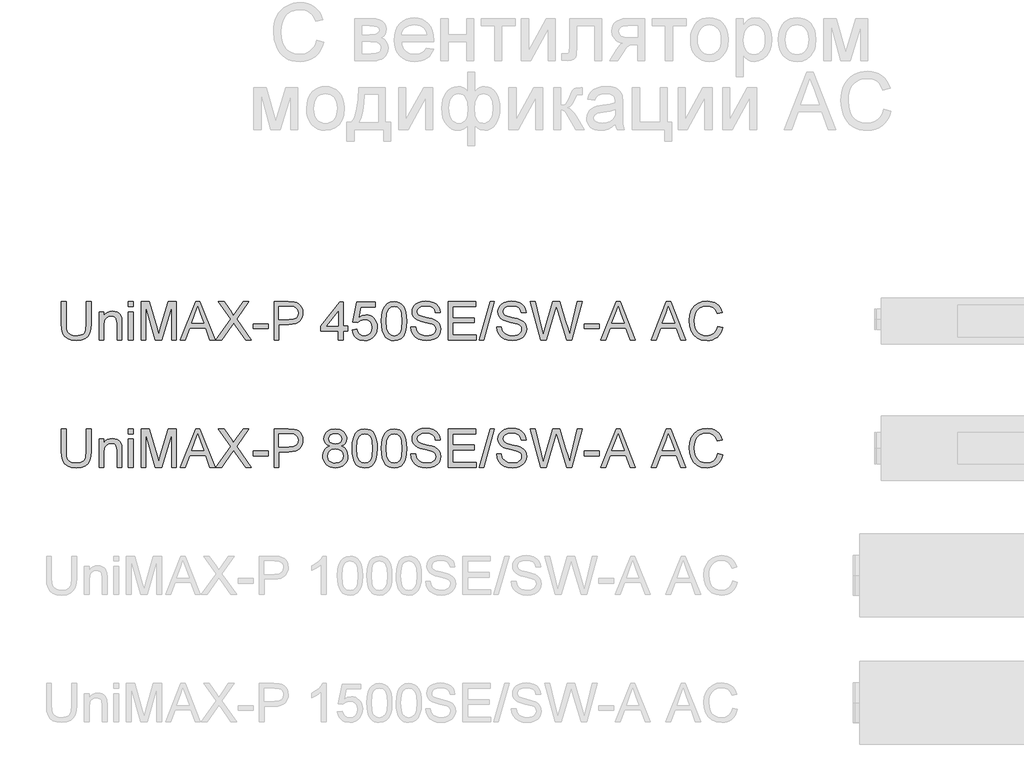
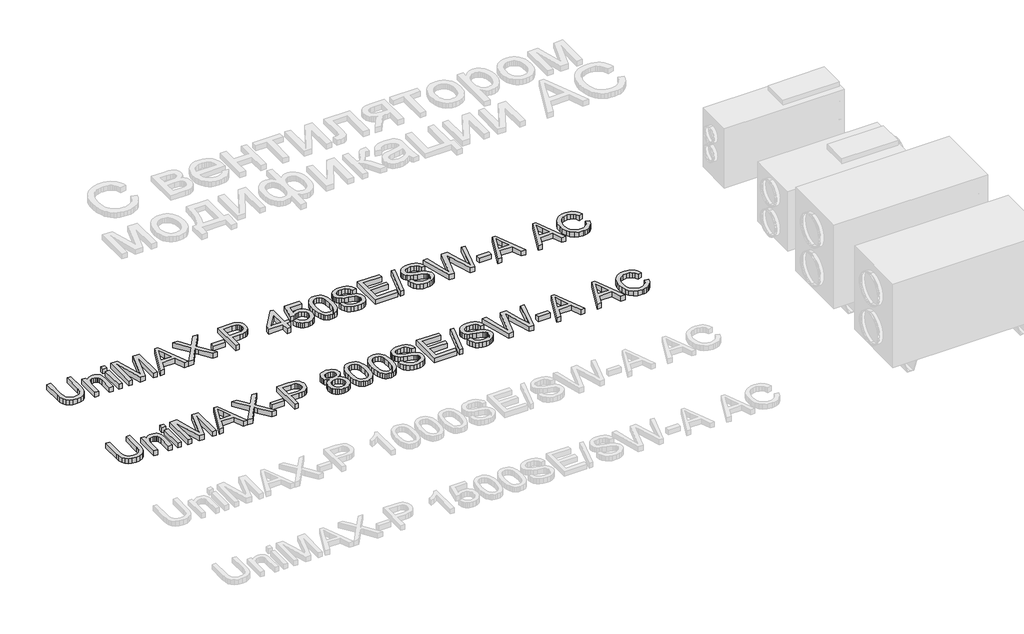
# One storey, part 24 of 74: 2 proxies.
"""IFC4 building model written with IfcOpenShell, lengths in millimetres."""

from ifc_helpers import new_model, si_unit, origin, origin_with_axes, place, context, project, spatial, polyline, outline, extrude, element, save

model = new_model("IFC4")

# Units and contexts
model_context = context("Model", 3, world=origin())
ifc_project = project(units=[si_unit("LENGTHUNIT", "METRE", prefix="MILLI")], contexts=[model_context])

# Site, building, storey
site = spatial("IfcSite", under=ifc_project)
building = spatial("IfcBuilding", under=site)
storey = spatial("IfcBuildingStorey", under=building, Elevation=0.0)

# Proxies
placement = place(None, origin())
element("IfcBuildingElementProxy", 1, Name="Generic Models", at=placement, inside=storey, context=model_context, shape_type="SweptSolid", body=[
    extrude(outline(polyline([(23136.3424808, -27731.9528304), (23174.0135971, -27731.9528304), (23174.0135971, -27905.8138613), (23171.4568172, -27946.5292011), (23163.7864776, -27977.8819441), (23149.4574739, -28002.0701853), (23126.9247017, -28021.2920196), (23096.1329787, -28033.8459926), (23057.0271226, -28038.0306503), (23018.7765922, -28034.3886186), (22988.1964013, -28023.4625233), (22965.277353, -28005.6294436), (22950.0102502, -27981.2664585), (22941.4294027, -27948.5893403), (22938.5691202, -27905.8138613), (22938.5691202, -27731.9528304), (22976.2402365, -27731.9528304), (22976.2402365, -27904.4894861), (22978.0980406, -27938.3438267), (22983.6714528, -27961.9158655), (22993.7698136, -27978.2406291), (23009.2024633, -27990.3531438), (23029.3256084, -27997.8579365), (23053.4954555, -28000.359534), (23091.8103653, -27995.4115212), (23106.1531646, -27989.2265052), (23117.2861934, -27980.5674827), (23125.6233192, -27968.3905887), (23131.578409, -27951.6519579), (23136.3424808, -27904.4894861), (23136.3424808, -27731.9528304)])), origin_with_axes(), (0.0, 0.0, 1.0), 50.0),
    extrude(outline(polyline([(23235.2291611, -28033.3217608), (23235.2291611, -27812.0039525), (23272.9002774, -27812.0039525), (23272.9002774, -27842.9060401), (23285.9876794, -27827.3262376), (23301.7054376, -27816.1978072), (23320.0535521, -27809.520749), (23341.0320229, -27807.295063), (23359.6008666, -27809.0884877), (23376.6062118, -27814.4687619), (23390.7880628, -27822.7645009), (23400.8864235, -27833.30432), (23412.1804008, -27861.0058343), (23414.1669636, -27897.4261518), (23414.1669636, -28033.3217608), (23376.4958472, -28033.3217608), (23376.4958472, -27902.5029233), (23372.1548397, -27869.1728146), (23366.1491661, -27859.2491977), (23356.8141605, -27851.551267), (23344.8487986, -27846.6124512), (23330.9520562, -27844.9661793), (23308.8883336, -27848.6633933), (23290.0803666, -27859.7550355), (23282.5640776, -27868.8095311), (23277.1952997, -27881.1841617), (23272.9002774, -27915.8938279), (23272.9002774, -28033.3217608), (23235.2291611, -28033.3217608)])), origin_with_axes(), (0.0, 0.0, 1.0), 50.0),
    extrude(outline(polyline([(23465.9647485, -28033.3217608), (23465.9647485, -27812.0039525), (23503.6358648, -27812.0039525), (23503.6358648, -28033.3217608), (23465.9647485, -28033.3217608)])), origin_with_axes(), (0.0, 0.0, 1.0), 50.0),
    extrude(outline(polyline([(23465.9647485, -27769.6239467), (23465.9647485, -27731.9528304), (23503.6358648, -27731.9528304), (23503.6358648, -27769.6239467), (23465.9647485, -27769.6239467)])), origin_with_axes(), (0.0, 0.0, 1.0), 50.0),
    extrude(outline(polyline([(23564.8514288, -28033.3217608), (23564.8514288, -27731.9528304), (23629.6722363, -27731.9528304), (23691.3292587, -27944.3678944), (23703.7636702, -27988.734463), (23717.2281512, -27940.6890744), (23777.855104, -27731.9528304), (23842.6759115, -27731.9528304), (23842.6759115, -28033.3217608), (23805.0047952, -28033.3217608), (23805.0047952, -27769.6239467), (23729.2946806, -28033.3217608), (23678.2326597, -28033.3217608), (23602.5225451, -27769.6239467), (23602.5225451, -28033.3217608), (23564.8514288, -28033.3217608)])), origin_with_axes(), (0.0, 0.0, 1.0), 50.0),
    extrude(outline(polyline([(23873.5044227, -28033.3217608), (23993.8018352, -27731.9528304), (24025.8811451, -27731.9528304), (24146.1785576, -28033.3217608), (24106.3737257, -28033.3217608), (24071.8663945, -27939.14397), (23947.7430094, -27939.14397), (23913.3092546, -28033.3217608), (23873.5044227, -28033.3217608)]), holes=[polyline([(23961.5753724, -27901.4728537), (24058.1076079, -27901.4728537), (24030.9579167, -27827.3814199), (24009.8414901, -27769.6239467), (23991.0795084, -27820.9066968), (23961.5753724, -27901.4728537)])]), origin_with_axes(), (0.0, 0.0, 1.0), 50.0),
    extrude(outline(polyline([(24153.4626211, -28033.3217608), (24269.6397551, -27869.0992382), (24172.2981792, -27731.9528304), (24217.4740882, -27731.9528304), (24272.2885055, -27809.1344729), (24290.7561817, -27839.2272201), (24312.387643, -27808.6194381), (24366.6134491, -27731.9528304), (24412.4515457, -27731.9528304), (24315.1099697, -27869.5406965), (24431.2871038, -28033.3217608), (24386.1111948, -28033.3217608), (24308.708823, -27924.1343846), (24292.5955916, -27901.4728537), (24274.8636795, -27926.3416766), (24199.3007177, -28033.3217608), (24153.4626211, -28033.3217608)])), origin_with_axes(), (0.0, 0.0, 1.0), 50.0),
    extrude(outline(polyline([(24445.4137724, -27943.8528596), (24445.4137724, -27906.1817433), (24563.1360109, -27906.1817433), (24563.1360109, -27943.8528596), (24445.4137724, -27943.8528596)])), origin_with_axes(), (0.0, 0.0, 1.0), 50.0),
    extrude(outline(polyline([(24610.2249063, -28033.3217608), (24610.2249063, -27731.9528304), (24721.91388, -27731.9528304), (24766.9426362, -27734.8223099), (24787.0197961, -27740.18419), (24803.5468947, -27748.9121903), (24816.8550259, -27761.4017841), (24827.2752834, -27778.0484443), (24834.0075239, -27797.6841458), (24836.2516041, -27819.1408632), (24834.7363901, -27837.640729), (24830.1907482, -27854.6598698), (24822.6146784, -27870.1982856), (24812.0081806, -27884.2559764), (24797.4469514, -27895.9086386), (24778.0066872, -27904.2319687), (24753.6873881, -27909.2259668), (24724.489054, -27910.8906328), (24647.8960226, -27910.8906328), (24647.8960226, -28033.3217608), (24610.2249063, -28033.3217608)]), holes=[polyline([(24647.8960226, -27873.2195165), (24726.6963459, -27873.2195165), (24760.1000311, -27869.7614257), (24782.1729508, -27859.3871535), (24794.4786036, -27842.7404932), (24798.5804878, -27820.4652384), (24796.1616637, -27803.5426666), (24788.9051913, -27789.2688452), (24777.7123816, -27778.5266909), (24763.4845455, -27772.1991206), (24725.8134292, -27769.6239467), (24647.8960226, -27769.6239467), (24647.8960226, -27873.2195165)])]), origin_with_axes(), (0.0, 0.0, 1.0), 50.0),
    extrude(outline(polyline([(25114.0760869, -28033.3217608), (25114.0760869, -27962.6884177), (24977.5182903, -27962.6884177), (24977.5182903, -27925.0173014), (25123.4938659, -27736.6617199), (25151.7472032, -27736.6617199), (25151.7472032, -27925.0173014), (25189.4183195, -27925.0173014), (25189.4183195, -27962.6884177), (25151.7472032, -27962.6884177), (25151.7472032, -28033.3217608), (25114.0760869, -28033.3217608)]), holes=[polyline([(25114.0760869, -27925.0173014), (25114.0760869, -27808.6194381), (25023.8714216, -27925.0173014), (25114.0760869, -27925.0173014)])]), origin_with_axes(), (0.0, 0.0, 1.0), 50.0),
    extrude(outline(polyline([(25222.3805462, -27953.2706387), (25260.0516626, -27948.5617491), (25266.9678441, -27971.1772948), (25279.0343735, -27987.3732996), (25296.1960686, -27997.1129754), (25318.397747, -28000.359534), (25345.4002854, -27995.8437825), (25365.6337952, -27982.2965281), (25378.2705417, -27961.2812691), (25382.4827905, -27934.3615041), (25378.5372561, -27909.0144346), (25366.700653, -27889.6270535), (25346.8810105, -27877.3214007), (25318.9863582, -27873.2195165), (25300.7118201, -27874.8565914), (25285.9137668, -27879.767816), (25264.7605521, -27896.7639642), (25227.0894358, -27892.0550747), (25260.0516626, -27736.6617199), (25406.0272382, -27736.6617199), (25406.0272382, -27774.3328362), (25290.5122918, -27774.3328362), (25274.3990604, -27857.3270143), (25301.3096283, -27840.9930537), (25329.5077832, -27835.5484002), (25347.8535985, -27837.2360588), (25364.7048931, -27842.2990348), (25380.0616672, -27850.7373281), (25393.9239206, -27862.5509386), (25405.3995396, -27877.0178981), (25413.5964103, -27893.416238), (25418.5145327, -27911.7459584), (25420.1539069, -27932.0070593), (25414.2494008, -27969.6781756), (25406.8687683, -27986.4719887), (25396.5358828, -28001.9046384), (25380.8825039, -28017.7097686), (25362.6171628, -28028.9991474), (25341.7398596, -28035.7727746), (25318.2505942, -28038.0306503), (25281.2508625, -28032.2273119), (25265.5721917, -28024.9731388), (25251.7743177, -28014.8172964), (25240.2941001, -28002.2656226), (25231.5683991, -27987.823955), (25222.3805462, -27953.2706387)])), origin_with_axes(), (0.0, 0.0, 1.0), 50.0),
    extrude(outline(polyline([(25453.1161336, -27885.0653167), (25455.8844456, -27836.8267901), (25464.1893817, -27798.3555305), (25477.9481683, -27769.0629266), (25497.078032, -27748.3603673), (25521.7169287, -27736.0547146), (25552.0028139, -27731.9528304), (25575.2161678, -27734.3808515), (25596.0015005, -27741.664915), (25613.3839248, -27753.5199123), (25626.3885533, -27769.6607349), (25636.2110026, -27789.9494269), (25644.0468891, -27814.2480327), (25649.1788429, -27845.104135), (25650.8894942, -27885.0653167), (25648.1487734, -27933.0279319), (25639.9266108, -27971.407221), (25626.2505976, -28000.727416), (25607.148325, -28021.5127488), (25582.4542461, -28033.9011749), (25552.0028139, -28038.0306503), (25531.2542694, -28036.2372256), (25512.8601696, -28030.8569514), (25496.8205146, -28021.8898278), (25483.1353044, -28009.3358547), (25470.0019172, -27986.6421341), (25460.6209263, -27958.3658043), (25454.9923318, -27924.5068652), (25453.1161336, -27885.0653167)]), holes=[polyline([(25490.7872499, -27884.9917403), (25495.2018339, -27944.2483327), (25500.7200638, -27964.5163314), (25508.4455857, -27978.5441317), (25528.1640606, -27994.9056835), (25552.0028139, -28000.359534), (25575.8415672, -27994.8872894), (25595.5600422, -27978.4705553), (25603.2855641, -27964.4197624), (25608.803794, -27944.1563622), (25613.2183779, -27884.9917403), (25608.9509468, -27827.0687202), (25603.6166578, -27806.8674001), (25596.1486533, -27792.5062068), (25576.4669666, -27775.3445117), (25551.5613555, -27769.6239467), (25527.9801196, -27774.66393), (25509.0341969, -27789.78388), (25501.0511576, -27805.4188648), (25495.3489867, -27826.4985031), (25490.7872499, -27884.9917403)])]), origin_with_axes(), (0.0, 0.0, 1.0), 50.0),
    extrude(outline(polyline([(25683.851721, -27929.726191), (25721.5228373, -27929.726191), (25725.8454507, -27950.6310853), (25733.6629431, -27967.4340955), (25745.8582313, -27980.7698178), (25763.314232, -27991.2728488), (25784.6513877, -27998.0878627), (25808.490141, -28000.359534), (25829.4778088, -27998.6396857), (25847.8535144, -27993.4801407), (25862.7435382, -27985.3131604), (25873.2741603, -27974.5710062), (25879.5373513, -27962.2377623), (25881.6250816, -27949.2975131), (25880.0615831, -27936.6883577), (25875.3710877, -27925.7898536), (25865.842944, -27916.4916362), (25849.7665008, -27908.6833408), (25794.9152953, -27894.2991548), (25758.9088451, -27884.7802082), (25735.8702351, -27875.7211141), (25717.1174504, -27863.0475793), (25703.8277133, -27847.688506), (25695.9090534, -27829.974988), (25693.2695001, -27810.2381189), (25696.5344528, -27788.1743963), (25706.3293109, -27767.6005957), (25722.396557, -27750.1629891), (25744.4786738, -27737.5078485), (25770.9845716, -27729.8099177), (25800.3231607, -27727.2439408), (25832.1081651, -27729.9294794), (25859.9200439, -27737.9860951), (25882.7655158, -27751.248241), (25899.6512994, -27769.5503703), (25910.3382713, -27791.7520487), (25914.5873084, -27816.712842), (25876.9161921, -27816.712842), (25870.0000106, -27794.2352521), (25855.5790363, -27778.0116561), (25833.0462641, -27768.1892069), (25801.7946886, -27764.9150571), (25769.8073492, -27768.1524187), (25747.8631882, -27777.8645034), (25735.1712593, -27792.1567189), (25730.9406164, -27809.1344729), (25733.9388546, -27823.6106295), (25742.9335694, -27835.2540946), (25764.1971487, -27845.6651551), (25804.443439, -27856.2969447), (25845.9773163, -27866.3953055), (25871.1036565, -27875.2060793), (25892.578768, -27888.8728954), (25907.5607623, -27905.7402849), (25916.362339, -27925.6243067), (25919.2961979, -27948.3410199), (25915.9208806, -27971.5635709), (25905.7949287, -27993.4065643), (25889.3322094, -28012.2053343), (25866.94659, -28026.2952147), (25840.026825, -28035.0967914), (25809.9616689, -28038.0306503), (25773.0539078, -28034.8668652), (25742.676052, -28025.3755097), (25718.4786138, -28009.5197957), (25700.1121052, -27987.262935), (25688.3214872, -27960.150032), (25683.851721, -27929.726191)])), origin_with_axes(), (0.0, 0.0, 1.0), 50.0),
    extrude(outline(polyline([(25975.8028724, -28033.3217608), (25975.8028724, -27731.9528304), (26192.4117911, -27731.9528304), (26192.4117911, -27769.6239467), (26013.4739887, -27769.6239467), (26013.4739887, -27859.0928479), (26182.9940121, -27859.0928479), (26182.9940121, -27896.7639642), (26013.4739887, -27896.7639642), (26013.4739887, -27995.6506445), (26197.1206807, -27995.6506445), (26197.1206807, -28033.3217608), (25975.8028724, -28033.3217608)])), origin_with_axes(), (0.0, 0.0, 1.0), 50.0),
    extrude(outline(polyline([(26220.6651284, -28033.3217608), (26305.42514, -27731.9528304), (26339.4174364, -27731.9528304), (26254.6574247, -28033.3217608), (26220.6651284, -28033.3217608)])), origin_with_axes(), (0.0, 0.0, 1.0), 50.0),
    extrude(outline(polyline([(26357.222925, -27929.726191), (26394.8940413, -27929.726191), (26399.2166547, -27950.6310853), (26407.0341471, -27967.4340955), (26419.2294353, -27980.7698178), (26436.6854359, -27991.2728488), (26458.0225916, -27998.0878627), (26481.8613449, -28000.359534), (26502.8490128, -27998.6396857), (26521.2247184, -27993.4801407), (26536.1147422, -27985.3131604), (26546.6453643, -27974.5710062), (26552.9085553, -27962.2377623), (26554.9962856, -27949.2975131), (26553.4327871, -27936.6883577), (26548.7422917, -27925.7898536), (26539.214148, -27916.4916362), (26523.1377048, -27908.6833408), (26468.2864993, -27894.2991548), (26432.280049, -27884.7802082), (26409.2414391, -27875.7211141), (26390.4886544, -27863.0475793), (26377.1989173, -27847.688506), (26369.2802574, -27829.974988), (26366.640704, -27810.2381189), (26369.9056568, -27788.1743963), (26379.7005149, -27767.6005957), (26395.767761, -27750.1629891), (26417.8498778, -27737.5078485), (26444.3557755, -27729.8099177), (26473.6943646, -27727.2439408), (26505.479369, -27729.9294794), (26533.2912479, -27737.9860951), (26556.1367198, -27751.248241), (26573.0225033, -27769.5503703), (26583.7094753, -27791.7520487), (26587.9585123, -27816.712842), (26550.287396, -27816.712842), (26543.3712145, -27794.2352521), (26528.9502403, -27778.0116561), (26506.4174681, -27768.1892069), (26475.1658926, -27764.9150571), (26443.1785531, -27768.1524187), (26421.2343921, -27777.8645034), (26408.5424633, -27792.1567189), (26404.3118203, -27809.1344729), (26407.3100586, -27823.6106295), (26416.3047734, -27835.2540946), (26437.5683527, -27845.6651551), (26477.814643, -27856.2969447), (26519.3485202, -27866.3953055), (26544.4748605, -27875.2060793), (26565.949972, -27888.8728954), (26580.9319662, -27905.7402849), (26589.733543, -27925.6243067), (26592.6674019, -27948.3410199), (26589.2920846, -27971.5635709), (26579.1661327, -27993.4065643), (26562.7034134, -28012.2053343), (26540.317794, -28026.2952147), (26513.398029, -28035.0967914), (26483.3328729, -28038.0306503), (26446.4251117, -28034.8668652), (26416.047256, -28025.3755097), (26391.8498178, -28009.5197957), (26373.4833092, -27987.262935), (26361.6926912, -27960.150032), (26357.222925, -27929.726191)])), origin_with_axes(), (0.0, 0.0, 1.0), 50.0),
    extrude(outline(polyline([(26703.1055768, -28033.3217608), (26620.9207391, -27731.9528304), (26659.7690778, -27731.9528304), (26707.4465844, -27930.0204966), (26722.1618642, -27991.1624842), (26737.9072136, -27937.0838309), (26797.6512496, -27731.9528304), (26853.6428893, -27731.9528304), (26897.0529647, -27880.6507328), (26915.6493995, -27935.8330321), (26929.3530039, -27991.1624842), (26943.6268253, -27931.7863301), (26991.7457902, -27731.9528304), (27030.5941289, -27731.9528304), (26948.3357148, -28033.3217608), (26908.0894245, -28033.3217608), (26835.8374007, -27800.8203398), (26825.757434, -27768.3731479), (26814.4266686, -27807.4422158), (26748.5757914, -28033.3217608), (26703.1055768, -28033.3217608)])), origin_with_axes(), (0.0, 0.0, 1.0), 50.0),
    extrude(outline(polyline([(27044.7207976, -27943.8528596), (27044.7207976, -27906.1817433), (27162.443036, -27906.1817433), (27162.443036, -27943.8528596), (27044.7207976, -27943.8528596)])), origin_with_axes(), (0.0, 0.0, 1.0), 50.0),
    extrude(outline(polyline([(27174.4359891, -28033.3217608), (27294.7334015, -27731.9528304), (27326.8127115, -27731.9528304), (27447.1101239, -28033.3217608), (27407.305292, -28033.3217608), (27372.7979609, -27939.14397), (27248.6745757, -27939.14397), (27214.2408209, -28033.3217608), (27174.4359891, -28033.3217608)]), holes=[polyline([(27262.5069387, -27901.4728537), (27359.0391742, -27901.4728537), (27331.889483, -27827.3814199), (27310.7730565, -27769.6239467), (27292.0110747, -27820.9066968), (27262.5069387, -27901.4728537)])]), origin_with_axes(), (0.0, 0.0, 1.0), 50.0),
    extrude(outline(polyline([(27569.9827103, -28033.3217608), (27690.2801227, -27731.9528304), (27722.3594327, -27731.9528304), (27842.6568451, -28033.3217608), (27802.8520132, -28033.3217608), (27768.3446821, -27939.14397), (27644.2212969, -27939.14397), (27609.7875421, -28033.3217608), (27569.9827103, -28033.3217608)]), holes=[polyline([(27658.0536599, -27901.4728537), (27754.5858954, -27901.4728537), (27727.4362042, -27827.3814199), (27706.3197777, -27769.6239467), (27687.5577959, -27820.9066968), (27658.0536599, -27901.4728537)])]), origin_with_axes(), (0.0, 0.0, 1.0), 50.0),
    extrude(outline(polyline([(28094.8031646, -27926.1945238), (28132.4742809, -27935.9066085), (28125.020072, -27959.3337938), (28115.0918566, -27979.8041276), (28102.6896349, -27997.3176098), (28087.8134067, -28011.8742405), (28070.7988644, -28023.3176698), (28051.9817003, -28031.4915479), (28031.3619145, -28036.3958747), (28008.9395069, -28038.0306503), (27965.2443229, -28033.0826375), (27930.5438537, -28018.238599), (27903.9459855, -27994.0135696), (27884.5586043, -27960.9225842), (27872.7220011, -27922.0190632), (27868.7764667, -27880.3564272), (27873.2370359, -27836.4129229), (27886.6187435, -27798.4658951), (27908.2226137, -27767.7201573), (27937.3496707, -27745.3805232), (27971.89379, -27731.7780864), (28009.7488473, -27727.2439408), (28051.0527983, -27733.1116586), (28069.0215345, -27740.4463059), (28085.2014445, -27750.7148121), (28099.3258139, -27763.6458642), (28111.1279281, -27778.9681493), (28127.7653914, -27816.7864184), (28090.094275, -27825.7627391), (28077.0344642, -27798.2911511), (28059.1921875, -27779.4463959), (28036.3467156, -27768.5478918), (28008.2773193, -27764.9150571), (27975.9220978, -27768.943365), (27949.3426237, -27781.0282885), (27929.1734933, -27799.9006349), (27916.0493031, -27824.2912111), (27908.8480131, -27851.8639667), (27906.4475831, -27880.2828508), (27909.2894715, -27915.0844876), (27917.8151367, -27945.1772348), (27932.3464755, -27969.4114612), (27953.2053846, -27986.6375356), (27978.2121633, -27996.9290344), (28005.1871106, -28000.359534), (28036.6318241, -27995.6874327), (28062.8342192, -27981.6711287), (28082.6170735, -27958.4577748), (28094.8031646, -27926.1945238)])), origin_with_axes(), (0.0, 0.0, 1.0), 50.0),
])
element("IfcBuildingElementProxy", 2, Name="Generic Models", at=placement, inside=storey, context=model_context, shape_type="SweptSolid", body=[
    extrude(outline(polyline([(23136.3424808, -28731.9528304), (23174.0135971, -28731.9528304), (23174.0135971, -28905.8138613), (23171.4568172, -28946.5292011), (23163.7864776, -28977.8819441), (23149.4574739, -29002.0701853), (23126.9247017, -29021.2920196), (23096.1329787, -29033.8459926), (23057.0271226, -29038.0306503), (23018.7765922, -29034.3886186), (22988.1964013, -29023.4625233), (22965.277353, -29005.6294436), (22950.0102502, -28981.2664585), (22941.4294027, -28948.5893403), (22938.5691202, -28905.8138613), (22938.5691202, -28731.9528304), (22976.2402365, -28731.9528304), (22976.2402365, -28904.4894861), (22978.0980406, -28938.3438267), (22983.6714528, -28961.9158655), (22993.7698136, -28978.2406291), (23009.2024633, -28990.3531438), (23029.3256084, -28997.8579365), (23053.4954555, -29000.359534), (23091.8103653, -28995.4115212), (23106.1531646, -28989.2265052), (23117.2861934, -28980.5674827), (23125.6233192, -28968.3905887), (23131.578409, -28951.6519579), (23136.3424808, -28904.4894861), (23136.3424808, -28731.9528304)])), origin_with_axes(), (0.0, 0.0, 1.0), 50.0),
    extrude(outline(polyline([(23235.2291611, -29033.3217608), (23235.2291611, -28812.0039525), (23272.9002774, -28812.0039525), (23272.9002774, -28842.9060401), (23285.9876794, -28827.3262376), (23301.7054376, -28816.1978072), (23320.0535521, -28809.520749), (23341.0320229, -28807.295063), (23359.6008666, -28809.0884877), (23376.6062118, -28814.4687619), (23390.7880628, -28822.7645009), (23400.8864235, -28833.30432), (23412.1804008, -28861.0058343), (23414.1669636, -28897.4261518), (23414.1669636, -29033.3217608), (23376.4958472, -29033.3217608), (23376.4958472, -28902.5029233), (23372.1548397, -28869.1728146), (23366.1491661, -28859.2491977), (23356.8141605, -28851.551267), (23344.8487986, -28846.6124512), (23330.9520562, -28844.9661793), (23308.8883336, -28848.6633933), (23290.0803666, -28859.7550355), (23282.5640776, -28868.8095311), (23277.1952997, -28881.1841617), (23272.9002774, -28915.8938279), (23272.9002774, -29033.3217608), (23235.2291611, -29033.3217608)])), origin_with_axes(), (0.0, 0.0, 1.0), 50.0),
    extrude(outline(polyline([(23465.9647485, -29033.3217608), (23465.9647485, -28812.0039525), (23503.6358648, -28812.0039525), (23503.6358648, -29033.3217608), (23465.9647485, -29033.3217608)])), origin_with_axes(), (0.0, 0.0, 1.0), 50.0),
    extrude(outline(polyline([(23465.9647485, -28769.6239467), (23465.9647485, -28731.9528304), (23503.6358648, -28731.9528304), (23503.6358648, -28769.6239467), (23465.9647485, -28769.6239467)])), origin_with_axes(), (0.0, 0.0, 1.0), 50.0),
    extrude(outline(polyline([(23564.8514288, -29033.3217608), (23564.8514288, -28731.9528304), (23629.6722363, -28731.9528304), (23691.3292587, -28944.3678944), (23703.7636702, -28988.734463), (23717.2281512, -28940.6890744), (23777.855104, -28731.9528304), (23842.6759115, -28731.9528304), (23842.6759115, -29033.3217608), (23805.0047952, -29033.3217608), (23805.0047952, -28769.6239467), (23729.2946806, -29033.3217608), (23678.2326597, -29033.3217608), (23602.5225451, -28769.6239467), (23602.5225451, -29033.3217608), (23564.8514288, -29033.3217608)])), origin_with_axes(), (0.0, 0.0, 1.0), 50.0),
    extrude(outline(polyline([(23873.5044227, -29033.3217608), (23993.8018352, -28731.9528304), (24025.8811451, -28731.9528304), (24146.1785576, -29033.3217608), (24106.3737257, -29033.3217608), (24071.8663945, -28939.14397), (23947.7430094, -28939.14397), (23913.3092546, -29033.3217608), (23873.5044227, -29033.3217608)]), holes=[polyline([(23961.5753724, -28901.4728537), (24058.1076079, -28901.4728537), (24030.9579167, -28827.3814199), (24009.8414901, -28769.6239467), (23991.0795084, -28820.9066968), (23961.5753724, -28901.4728537)])]), origin_with_axes(), (0.0, 0.0, 1.0), 50.0),
    extrude(outline(polyline([(24153.4626211, -29033.3217608), (24269.6397551, -28869.0992382), (24172.2981792, -28731.9528304), (24217.4740882, -28731.9528304), (24272.2885055, -28809.1344729), (24290.7561817, -28839.2272201), (24312.387643, -28808.6194381), (24366.6134491, -28731.9528304), (24412.4515457, -28731.9528304), (24315.1099697, -28869.5406965), (24431.2871038, -29033.3217608), (24386.1111948, -29033.3217608), (24308.708823, -28924.1343846), (24292.5955916, -28901.4728537), (24274.8636795, -28926.3416766), (24199.3007177, -29033.3217608), (24153.4626211, -29033.3217608)])), origin_with_axes(), (0.0, 0.0, 1.0), 50.0),
    extrude(outline(polyline([(24445.4137724, -28943.8528596), (24445.4137724, -28906.1817433), (24563.1360109, -28906.1817433), (24563.1360109, -28943.8528596), (24445.4137724, -28943.8528596)])), origin_with_axes(), (0.0, 0.0, 1.0), 50.0),
    extrude(outline(polyline([(24610.2249063, -29033.3217608), (24610.2249063, -28731.9528304), (24721.91388, -28731.9528304), (24766.9426362, -28734.8223099), (24787.0197961, -28740.18419), (24803.5468947, -28748.9121903), (24816.8550259, -28761.4017841), (24827.2752834, -28778.0484443), (24834.0075239, -28797.6841458), (24836.2516041, -28819.1408632), (24834.7363901, -28837.640729), (24830.1907482, -28854.6598698), (24822.6146784, -28870.1982856), (24812.0081806, -28884.2559764), (24797.4469514, -28895.9086386), (24778.0066872, -28904.2319687), (24753.6873881, -28909.2259668), (24724.489054, -28910.8906328), (24647.8960226, -28910.8906328), (24647.8960226, -29033.3217608), (24610.2249063, -29033.3217608)]), holes=[polyline([(24647.8960226, -28873.2195165), (24726.6963459, -28873.2195165), (24760.1000311, -28869.7614257), (24782.1729508, -28859.3871535), (24794.4786036, -28842.7404932), (24798.5804878, -28820.4652384), (24796.1616637, -28803.5426666), (24788.9051913, -28789.2688452), (24777.7123816, -28778.5266909), (24763.4845455, -28772.1991206), (24725.8134292, -28769.6239467), (24647.8960226, -28769.6239467), (24647.8960226, -28873.2195165)])]), origin_with_axes(), (0.0, 0.0, 1.0), 50.0),
    extrude(outline(polyline([(25046.5329526, -28867.3334046), (25026.3638222, -28857.4005907), (25012.2095624, -28843.9361097), (25003.8494441, -28827.215873), (25001.0627379, -28807.5157922), (25002.5802512, -28792.1521203), (25007.1327909, -28778.0668384), (25014.720357, -28765.2599465), (25025.3429496, -28753.7314445), (25038.4901324, -28744.2033008), (25053.6514692, -28737.3974839), (25090.0166044, -28731.9528304), (25126.6024688, -28737.5262426), (25141.9293524, -28744.4930079), (25155.2788703, -28754.2464793), (25166.094601, -28766.000309), (25173.8201229, -28778.9681493), (25178.455436, -28793.1500003), (25180.0005404, -28808.5458617), (25177.2506225, -28827.6113461), (25169.0008687, -28844.0464743), (25155.1593087, -28857.4281819), (25135.6339718, -28867.3334046), (25158.8197345, -28879.2803724), (25175.6963211, -28896.8743288), (25185.9878199, -28919.2691452), (25189.4183195, -28945.6186932), (25187.7168652, -28964.4082661), (25182.6125026, -28981.6343405), (25174.1052314, -28997.2969164), (25162.1950518, -29011.3959939), (25147.5073632, -29023.0486561), (25130.6675648, -29031.3719862), (25111.6756568, -29036.3659843), (25090.5316392, -29038.0306503), (25069.3876215, -29036.3590865), (25050.3957135, -29031.3443951), (25033.5559152, -29022.986576), (25018.8682265, -29011.2856293), (25006.9580469, -28997.0876835), (24998.4507758, -28981.2388673), (24993.3464131, -28963.7391807), (24991.6449589, -28944.5886236), (24995.2134142, -28917.2182031), (25005.9187803, -28894.703825), (25023.2092341, -28877.8180414), (25046.5329526, -28867.3334046)]), holes=[polyline([(25029.3160752, -28943.2642484), (25035.6068573, -28971.6279502), (25044.3164635, -28983.7956472), (25057.863718, -28992.8547413), (25074.087314, -28998.4833359), (25090.8259448, -29000.359534), (25116.4673198, -28996.4139996), (25135.7075482, -28984.5773964), (25147.7372894, -28966.6523462), (25151.7472032, -28944.4414708), (25147.6085307, -28921.8535163), (25135.1925134, -28903.5329929), (25115.5108266, -28891.3928871), (25089.575146, -28887.3461851), (25064.2924559, -28891.3377048), (25045.2453656, -28903.3122637), (25033.2983978, -28921.2832992), (25029.3160752, -28943.2642484)]), polyline([(25038.7338543, -28808.6194381), (25042.0723834, -28825.0637633), (25052.0879707, -28838.1971506), (25068.4863106, -28846.8055892), (25090.9730976, -28849.6750688), (25112.9356527, -28846.8239833), (25129.0856723, -28838.270727), (25139.0184861, -28825.5787981), (25142.3294241, -28810.3116953), (25138.9081215, -28794.4651784), (25128.6442139, -28781.3593823), (25112.2734651, -28772.5578056), (25090.5316392, -28769.6239467), (25068.6518575, -28772.4934262), (25052.3086999, -28781.1018649), (25042.1275657, -28793.7202173), (25038.7338543, -28808.6194381)])]), origin_with_axes(), (0.0, 0.0, 1.0), 50.0),
    extrude(outline(polyline([(25222.3805462, -28885.0653167), (25225.1488583, -28836.8267901), (25233.4537943, -28798.3555305), (25247.2125809, -28769.0629266), (25266.3424447, -28748.3603673), (25290.9813413, -28736.0547146), (25321.2672265, -28731.9528304), (25344.4805804, -28734.3808515), (25365.2659132, -28741.664915), (25382.6483374, -28753.5199123), (25395.652966, -28769.6607349), (25405.4754152, -28789.9494269), (25413.3113017, -28814.2480327), (25418.4432556, -28845.104135), (25420.1539069, -28885.0653167), (25417.413186, -28933.0279319), (25409.1910234, -28971.407221), (25395.5150102, -29000.727416), (25376.4127376, -29021.5127488), (25351.7186587, -29033.9011749), (25321.2672265, -29038.0306503), (25300.518682, -29036.2372256), (25282.1245823, -29030.8569514), (25266.0849273, -29021.8898278), (25252.3997171, -29009.3358547), (25239.2663298, -28986.6421341), (25229.8853389, -28958.3658043), (25224.2567444, -28924.5068652), (25222.3805462, -28885.0653167)]), holes=[polyline([(25260.0516626, -28884.9917403), (25264.4662465, -28944.2483327), (25269.9844764, -28964.5163314), (25277.7099983, -28978.5441317), (25297.4284733, -28994.9056835), (25321.2672265, -29000.359534), (25345.1059798, -28994.8872894), (25364.8244548, -28978.4705553), (25372.5499767, -28964.4197624), (25378.0682066, -28944.1563622), (25382.4827905, -28884.9917403), (25378.2153594, -28827.0687202), (25372.8810705, -28806.8674001), (25365.413066, -28792.5062068), (25345.7313792, -28775.3445117), (25320.8257682, -28769.6239467), (25297.2445323, -28774.66393), (25278.2986095, -28789.78388), (25270.3155702, -28805.4188648), (25264.6133993, -28826.4985031), (25260.0516626, -28884.9917403)])]), origin_with_axes(), (0.0, 0.0, 1.0), 50.0),
    extrude(outline(polyline([(25453.1161336, -28885.0653167), (25455.8844456, -28836.8267901), (25464.1893817, -28798.3555305), (25477.9481683, -28769.0629266), (25497.078032, -28748.3603673), (25521.7169287, -28736.0547146), (25552.0028139, -28731.9528304), (25575.2161678, -28734.3808515), (25596.0015005, -28741.664915), (25613.3839248, -28753.5199123), (25626.3885533, -28769.6607349), (25636.2110026, -28789.9494269), (25644.0468891, -28814.2480327), (25649.1788429, -28845.104135), (25650.8894942, -28885.0653167), (25648.1487734, -28933.0279319), (25639.9266108, -28971.407221), (25626.2505976, -29000.727416), (25607.148325, -29021.5127488), (25582.4542461, -29033.9011749), (25552.0028139, -29038.0306503), (25531.2542694, -29036.2372256), (25512.8601696, -29030.8569514), (25496.8205146, -29021.8898278), (25483.1353044, -29009.3358547), (25470.0019172, -28986.6421341), (25460.6209263, -28958.3658043), (25454.9923318, -28924.5068652), (25453.1161336, -28885.0653167)]), holes=[polyline([(25490.7872499, -28884.9917403), (25495.2018339, -28944.2483327), (25500.7200638, -28964.5163314), (25508.4455857, -28978.5441317), (25528.1640606, -28994.9056835), (25552.0028139, -29000.359534), (25575.8415672, -28994.8872894), (25595.5600422, -28978.4705553), (25603.2855641, -28964.4197624), (25608.803794, -28944.1563622), (25613.2183779, -28884.9917403), (25608.9509468, -28827.0687202), (25603.6166578, -28806.8674001), (25596.1486533, -28792.5062068), (25576.4669666, -28775.3445117), (25551.5613555, -28769.6239467), (25527.9801196, -28774.66393), (25509.0341969, -28789.78388), (25501.0511576, -28805.4188648), (25495.3489867, -28826.4985031), (25490.7872499, -28884.9917403)])]), origin_with_axes(), (0.0, 0.0, 1.0), 50.0),
    extrude(outline(polyline([(25683.851721, -28929.726191), (25721.5228373, -28929.726191), (25725.8454507, -28950.6310853), (25733.6629431, -28967.4340955), (25745.8582313, -28980.7698178), (25763.314232, -28991.2728488), (25784.6513877, -28998.0878627), (25808.490141, -29000.359534), (25829.4778088, -28998.6396857), (25847.8535144, -28993.4801407), (25862.7435382, -28985.3131604), (25873.2741603, -28974.5710062), (25879.5373513, -28962.2377623), (25881.6250816, -28949.2975131), (25880.0615831, -28936.6883577), (25875.3710877, -28925.7898536), (25865.842944, -28916.4916362), (25849.7665008, -28908.6833408), (25794.9152953, -28894.2991548), (25758.9088451, -28884.7802082), (25735.8702351, -28875.7211141), (25717.1174504, -28863.0475793), (25703.8277133, -28847.688506), (25695.9090534, -28829.974988), (25693.2695001, -28810.2381189), (25696.5344528, -28788.1743963), (25706.3293109, -28767.6005957), (25722.396557, -28750.1629891), (25744.4786738, -28737.5078485), (25770.9845716, -28729.8099177), (25800.3231607, -28727.2439408), (25832.1081651, -28729.9294794), (25859.9200439, -28737.9860951), (25882.7655158, -28751.248241), (25899.6512994, -28769.5503703), (25910.3382713, -28791.7520487), (25914.5873084, -28816.712842), (25876.9161921, -28816.712842), (25870.0000106, -28794.2352521), (25855.5790363, -28778.0116561), (25833.0462641, -28768.1892069), (25801.7946886, -28764.9150571), (25769.8073492, -28768.1524187), (25747.8631882, -28777.8645034), (25735.1712593, -28792.1567189), (25730.9406164, -28809.1344729), (25733.9388546, -28823.6106295), (25742.9335694, -28835.2540946), (25764.1971487, -28845.6651551), (25804.443439, -28856.2969447), (25845.9773163, -28866.3953055), (25871.1036565, -28875.2060793), (25892.578768, -28888.8728954), (25907.5607623, -28905.7402849), (25916.362339, -28925.6243067), (25919.2961979, -28948.3410199), (25915.9208806, -28971.5635709), (25905.7949287, -28993.4065643), (25889.3322094, -29012.2053343), (25866.94659, -29026.2952147), (25840.026825, -29035.0967914), (25809.9616689, -29038.0306503), (25773.0539078, -29034.8668652), (25742.676052, -29025.3755097), (25718.4786138, -29009.5197957), (25700.1121052, -28987.262935), (25688.3214872, -28960.150032), (25683.851721, -28929.726191)])), origin_with_axes(), (0.0, 0.0, 1.0), 50.0),
    extrude(outline(polyline([(25975.8028724, -29033.3217608), (25975.8028724, -28731.9528304), (26192.4117911, -28731.9528304), (26192.4117911, -28769.6239467), (26013.4739887, -28769.6239467), (26013.4739887, -28859.0928479), (26182.9940121, -28859.0928479), (26182.9940121, -28896.7639642), (26013.4739887, -28896.7639642), (26013.4739887, -28995.6506445), (26197.1206807, -28995.6506445), (26197.1206807, -29033.3217608), (25975.8028724, -29033.3217608)])), origin_with_axes(), (0.0, 0.0, 1.0), 50.0),
    extrude(outline(polyline([(26220.6651284, -29033.3217608), (26305.42514, -28731.9528304), (26339.4174364, -28731.9528304), (26254.6574247, -29033.3217608), (26220.6651284, -29033.3217608)])), origin_with_axes(), (0.0, 0.0, 1.0), 50.0),
    extrude(outline(polyline([(26357.222925, -28929.726191), (26394.8940413, -28929.726191), (26399.2166547, -28950.6310853), (26407.0341471, -28967.4340955), (26419.2294353, -28980.7698178), (26436.6854359, -28991.2728488), (26458.0225916, -28998.0878627), (26481.8613449, -29000.359534), (26502.8490128, -28998.6396857), (26521.2247184, -28993.4801407), (26536.1147422, -28985.3131604), (26546.6453643, -28974.5710062), (26552.9085553, -28962.2377623), (26554.9962856, -28949.2975131), (26553.4327871, -28936.6883577), (26548.7422917, -28925.7898536), (26539.214148, -28916.4916362), (26523.1377048, -28908.6833408), (26468.2864993, -28894.2991548), (26432.280049, -28884.7802082), (26409.2414391, -28875.7211141), (26390.4886544, -28863.0475793), (26377.1989173, -28847.688506), (26369.2802574, -28829.974988), (26366.640704, -28810.2381189), (26369.9056568, -28788.1743963), (26379.7005149, -28767.6005957), (26395.767761, -28750.1629891), (26417.8498778, -28737.5078485), (26444.3557755, -28729.8099177), (26473.6943646, -28727.2439408), (26505.479369, -28729.9294794), (26533.2912479, -28737.9860951), (26556.1367198, -28751.248241), (26573.0225033, -28769.5503703), (26583.7094753, -28791.7520487), (26587.9585123, -28816.712842), (26550.287396, -28816.712842), (26543.3712145, -28794.2352521), (26528.9502403, -28778.0116561), (26506.4174681, -28768.1892069), (26475.1658926, -28764.9150571), (26443.1785531, -28768.1524187), (26421.2343921, -28777.8645034), (26408.5424633, -28792.1567189), (26404.3118203, -28809.1344729), (26407.3100586, -28823.6106295), (26416.3047734, -28835.2540946), (26437.5683527, -28845.6651551), (26477.814643, -28856.2969447), (26519.3485202, -28866.3953055), (26544.4748605, -28875.2060793), (26565.949972, -28888.8728954), (26580.9319662, -28905.7402849), (26589.733543, -28925.6243067), (26592.6674019, -28948.3410199), (26589.2920846, -28971.5635709), (26579.1661327, -28993.4065643), (26562.7034134, -29012.2053343), (26540.317794, -29026.2952147), (26513.398029, -29035.0967914), (26483.3328729, -29038.0306503), (26446.4251117, -29034.8668652), (26416.047256, -29025.3755097), (26391.8498178, -29009.5197957), (26373.4833092, -28987.262935), (26361.6926912, -28960.150032), (26357.222925, -28929.726191)])), origin_with_axes(), (0.0, 0.0, 1.0), 50.0),
    extrude(outline(polyline([(26703.1055768, -29033.3217608), (26620.9207391, -28731.9528304), (26659.7690778, -28731.9528304), (26707.4465844, -28930.0204966), (26722.1618642, -28991.1624842), (26737.9072136, -28937.0838309), (26797.6512496, -28731.9528304), (26853.6428893, -28731.9528304), (26897.0529647, -28880.6507328), (26915.6493995, -28935.8330321), (26929.3530039, -28991.1624842), (26943.6268253, -28931.7863301), (26991.7457902, -28731.9528304), (27030.5941289, -28731.9528304), (26948.3357148, -29033.3217608), (26908.0894245, -29033.3217608), (26835.8374007, -28800.8203398), (26825.757434, -28768.3731479), (26814.4266686, -28807.4422158), (26748.5757914, -29033.3217608), (26703.1055768, -29033.3217608)])), origin_with_axes(), (0.0, 0.0, 1.0), 50.0),
    extrude(outline(polyline([(27044.7207976, -28943.8528596), (27044.7207976, -28906.1817433), (27162.443036, -28906.1817433), (27162.443036, -28943.8528596), (27044.7207976, -28943.8528596)])), origin_with_axes(), (0.0, 0.0, 1.0), 50.0),
    extrude(outline(polyline([(27174.4359891, -29033.3217608), (27294.7334015, -28731.9528304), (27326.8127115, -28731.9528304), (27447.1101239, -29033.3217608), (27407.305292, -29033.3217608), (27372.7979609, -28939.14397), (27248.6745757, -28939.14397), (27214.2408209, -29033.3217608), (27174.4359891, -29033.3217608)]), holes=[polyline([(27262.5069387, -28901.4728537), (27359.0391742, -28901.4728537), (27331.889483, -28827.3814199), (27310.7730565, -28769.6239467), (27292.0110747, -28820.9066968), (27262.5069387, -28901.4728537)])]), origin_with_axes(), (0.0, 0.0, 1.0), 50.0),
    extrude(outline(polyline([(27569.9827103, -29033.3217608), (27690.2801227, -28731.9528304), (27722.3594327, -28731.9528304), (27842.6568451, -29033.3217608), (27802.8520132, -29033.3217608), (27768.3446821, -28939.14397), (27644.2212969, -28939.14397), (27609.7875421, -29033.3217608), (27569.9827103, -29033.3217608)]), holes=[polyline([(27658.0536599, -28901.4728537), (27754.5858954, -28901.4728537), (27727.4362042, -28827.3814199), (27706.3197777, -28769.6239467), (27687.5577959, -28820.9066968), (27658.0536599, -28901.4728537)])]), origin_with_axes(), (0.0, 0.0, 1.0), 50.0),
    extrude(outline(polyline([(28094.8031646, -28926.1945238), (28132.4742809, -28935.9066085), (28125.020072, -28959.3337938), (28115.0918566, -28979.8041276), (28102.6896349, -28997.3176098), (28087.8134067, -29011.8742405), (28070.7988644, -29023.3176698), (28051.9817003, -29031.4915479), (28031.3619145, -29036.3958747), (28008.9395069, -29038.0306503), (27965.2443229, -29033.0826375), (27930.5438537, -29018.238599), (27903.9459855, -28994.0135696), (27884.5586043, -28960.9225842), (27872.7220011, -28922.0190632), (27868.7764667, -28880.3564272), (27873.2370359, -28836.4129229), (27886.6187435, -28798.4658951), (27908.2226137, -28767.7201573), (27937.3496707, -28745.3805232), (27971.89379, -28731.7780864), (28009.7488473, -28727.2439408), (28051.0527983, -28733.1116586), (28069.0215345, -28740.4463059), (28085.2014445, -28750.7148121), (28099.3258139, -28763.6458642), (28111.1279281, -28778.9681493), (28127.7653914, -28816.7864184), (28090.094275, -28825.7627391), (28077.0344642, -28798.2911511), (28059.1921875, -28779.4463959), (28036.3467156, -28768.5478918), (28008.2773193, -28764.9150571), (27975.9220978, -28768.943365), (27949.3426237, -28781.0282885), (27929.1734933, -28799.9006349), (27916.0493031, -28824.2912111), (27908.8480131, -28851.8639667), (27906.4475831, -28880.2828508), (27909.2894715, -28915.0844876), (27917.8151367, -28945.1772348), (27932.3464755, -28969.4114612), (27953.2053846, -28986.6375356), (27978.2121633, -28996.9290344), (28005.1871106, -29000.359534), (28036.6318241, -28995.6874327), (28062.8342192, -28981.6711287), (28082.6170735, -28958.4577748), (28094.8031646, -28926.1945238)])), origin_with_axes(), (0.0, 0.0, 1.0), 50.0),
])

save(model, "model.ifc")
